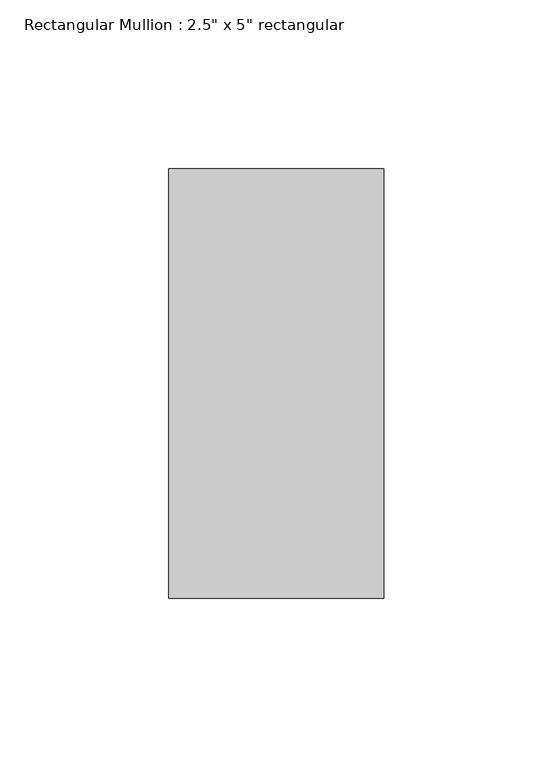
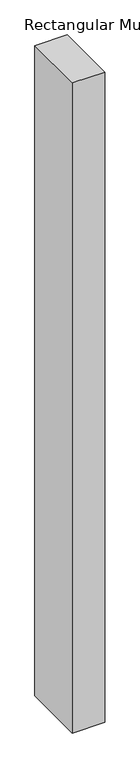
"""IFC4 building model written with IfcOpenShell, lengths in millimetres: member geometry."""

from ifc_helpers import new_model, si_unit, frame, origin, place, context, project, spatial, polyline, outline, extrude, source, transform, mapped, element, save


def member_d930f4fc(model_context):
    return source(origin(), model_context, "Body", "SweptSolid", [
        extrude(outline(polyline([(31.75, 63.5), (31.75, -63.5), (-31.75, -63.5), (-31.75, 63.5), (31.75, 63.5)])), frame((0.0, 0.0, -1346.2000003), z_axis=(0.0, 0.0, 1.0), x_axis=(1.0, 0.0, 0.0)), (0.0, 0.0, 1.0), 1346.2000003),
    ])


if __name__ == "__main__":
    model = new_model("IFC4")
    model_context = context("Model", 3, world=origin())
    ifc_project = project(units=[si_unit("LENGTHUNIT", "METRE", prefix="MILLI")], contexts=[model_context])
    site = spatial("IfcSite", under=ifc_project)
    building = spatial("IfcBuilding", under=site)
    placement = place(None, origin())
    member_shape = member_d930f4fc(model_context)
    element("IfcMember", 1, ObjectType="Rectangular Mullion : 2.5\" x 5\" rectangular", at=placement, inside=building, context=model_context, shape_type="MappedRepresentation", body=[
        mapped(member_shape, transform((0.0, 0.0, 0.0), x_axis=(1.0, 0.0, 0.0), y_axis=(0.0, 1.0, 0.0), z_axis=(0.0, 0.0, 1.0))),
    ])
    save(model, "model.ifc")
